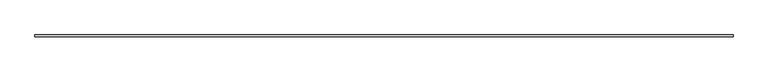
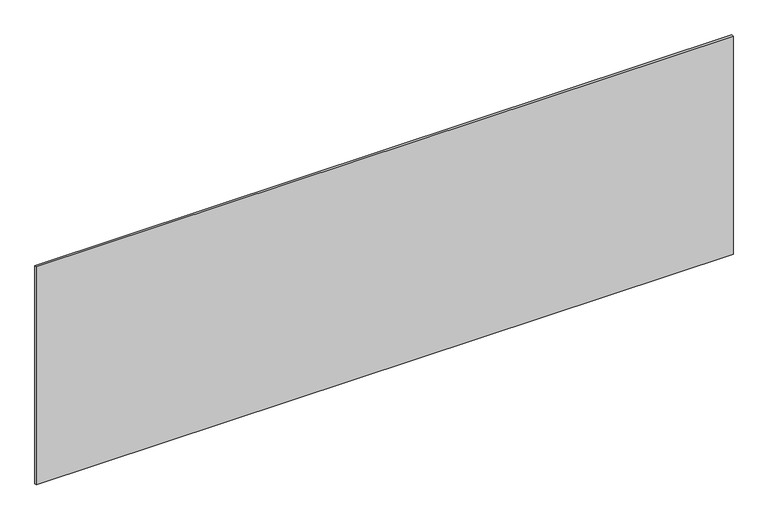
"""IFC4 building model written with IfcOpenShell, lengths in millimetres: plate geometry."""

import ifcopenshell
import ifcopenshell.guid

model = None  # the IFC model being written
_history = None  # IfcOwnerHistory: only IFC2X3 demands one
_inside = {}  # id of a spatial element -> (the spatial element, [elements in it])
_under = {}  # id of a project, library or spatial element -> (it, [spatial elements below it])
_declared = {}  # id of a project -> (the project, [libraries it declares])
_typed = {}  # id of a type object -> (the type object, [elements of that type])
_made_of = {}  # id of a material, layer set ... -> (it, [elements and type objects made of it])


def new_model(schema):
    """Start an empty IFC model of exactly this schema.

    Asked for "IFC4X3", IfcOpenShell would pick the latest addendum, in which some entities
    have other attributes; the version numbers below select the first issue.
    IFC2X3 requires an IfcOwnerHistory on every rooted entity: one is made here for all.
    """
    global model, _history
    if schema == "IFC4X3":
        model = ifcopenshell.file(schema_version=(4, 3, 0, 0))
    else:
        model = ifcopenshell.file(schema=schema)
    _inside.clear()
    _under.clear()
    _declared.clear()
    _typed.clear()
    _made_of.clear()
    _history = None
    if model.schema == "IFC2X3":
        org = make("IfcOrganization", Name="unknown")
        user = make(
            "IfcPersonAndOrganization",
            ThePerson=make("IfcPerson", FamilyName="unknown"),
            TheOrganization=org,
        )
        app = make(
            "IfcApplication",
            ApplicationDeveloper=org,
            Version="unknown",
            ApplicationFullName="unknown",
            ApplicationIdentifier="unknown",
        )
        _history = make(
            "IfcOwnerHistory",
            OwningUser=user,
            OwningApplication=app,
            ChangeAction="ADDED",
            CreationDate=0,
        )
    return model


def make(cls, **values):
    """One entity of the class cls with the attributes given. An attribute that is None is left unset."""
    return model.create_entity(
        cls, **{name: value for name, value in values.items() if value is not None}
    )


def rooted(cls, **values):
    """An entity with a GlobalId (a new one), such as an element, a storey or a relation."""
    return make(cls, GlobalId=ifcopenshell.guid.new(), OwnerHistory=_history, **values)


def si_unit(unit_type, name, prefix=None):
    """IfcSIUnit, for example si_unit("LENGTHUNIT", "METRE", prefix="MILLI")."""
    return make("IfcSIUnit", UnitType=unit_type, Prefix=prefix, Name=name)


def assignment(units):
    """IfcUnitAssignment: the units of a project."""
    return None if units is None else make("IfcUnitAssignment", Units=units)


def point(xyz):
    """IfcCartesianPoint."""
    return None if xyz is None else make("IfcCartesianPoint", Coordinates=xyz)


def direction(xyz):
    """IfcDirection."""
    return None if xyz is None else make("IfcDirection", DirectionRatios=xyz)


def frame(location, z_axis=None, x_axis=None):
    """IfcAxis2Placement3D, a coordinate frame: its origin and axes. An axis left out is left unset."""
    return make(
        "IfcAxis2Placement3D",
        Location=point(location),
        Axis=direction(z_axis),
        RefDirection=direction(x_axis),
    )


def origin():
    """The frame at (0, 0, 0) with its axes left unset."""
    return frame((0.0, 0.0, 0.0))


def origin_with_axes():
    """The frame at (0, 0, 0) with the z axis (0, 0, 1) and the x axis (1, 0, 0) written out."""
    return frame((0.0, 0.0, 0.0), z_axis=(0.0, 0.0, 1.0), x_axis=(1.0, 0.0, 0.0))


def place(relative_to, where):
    """IfcLocalPlacement: puts the frame where relative to a parent placement (None: the world)."""
    return make(
        "IfcLocalPlacement", PlacementRelTo=relative_to, RelativePlacement=where
    )


def context(
    kind, dimensions, precision=None, world=None, true_north=None, identifier=None
):
    """IfcGeometricRepresentationContext, for example the 3D "Model" context."""
    return make(
        "IfcGeometricRepresentationContext",
        ContextIdentifier=identifier,
        ContextType=kind,
        CoordinateSpaceDimension=dimensions,
        Precision=precision,
        WorldCoordinateSystem=world,
        TrueNorth=true_north,
    )


def project(units=None, contexts=None):
    """IfcProject with its units and contexts."""
    return rooted(
        "IfcProject",
        Name="project",
        RepresentationContexts=contexts,
        UnitsInContext=assignment(units),
    )


def spatial(cls, under=None, at=None, **own):
    """A site, building, storey or space (cls), placed at a placement, below another one or the project."""
    s = rooted(cls, ObjectPlacement=at, **own)
    if under is not None:
        _under.setdefault(under.id(), (under, []))[1].append(s)
    return s


def polyline(points):
    """IfcPolyline through the points."""
    return make("IfcPolyline", Points=[point(p) for p in points])


def outline(outer, holes=None, kind="AREA"):
    """IfcArbitraryClosedProfileDef: a profile drawn as a closed curve; with holes, ...WithVoids."""
    if holes is None:
        return make("IfcArbitraryClosedProfileDef", ProfileType=kind, OuterCurve=outer)
    return make(
        "IfcArbitraryProfileDefWithVoids",
        ProfileType=kind,
        OuterCurve=outer,
        InnerCurves=holes,
    )


def extrude(swept, where, along, depth):
    """IfcExtrudedAreaSolid: the profile swept, set in the frame where, extruded along a direction by depth."""
    return make(
        "IfcExtrudedAreaSolid",
        SweptArea=swept,
        Position=where,
        ExtrudedDirection=direction(along),
        Depth=depth,
    )


def shape(context_of_items, identifier, shape_type, items):
    """IfcShapeRepresentation: the items that make up one representation, for example the "Body"."""
    return make(
        "IfcShapeRepresentation",
        ContextOfItems=context_of_items,
        RepresentationIdentifier=identifier,
        RepresentationType=shape_type,
        Items=items,
    )


def source(mapping_origin, context_of_items, identifier, shape_type, items):
    """IfcRepresentationMap: a shape defined once, which mapped items show again and again."""
    return make(
        "IfcRepresentationMap",
        MappingOrigin=mapping_origin,
        MappedRepresentation=shape(context_of_items, identifier, shape_type, items),
    )


def transform(
    local_origin,
    x_axis=None,
    y_axis=None,
    z_axis=None,
    scale=None,
    scale2=None,
    scale3=None,
    uniform=True,
):
    """IfcCartesianTransformationOperator3D, or its non-uniform kind. x_axis, y_axis, z_axis: its Axis1, 2, 3."""
    if uniform:
        return make(
            "IfcCartesianTransformationOperator3D",
            Axis1=direction(x_axis),
            Axis2=direction(y_axis),
            LocalOrigin=point(local_origin),
            Scale=scale,
            Axis3=direction(z_axis),
        )
    return make(
        "IfcCartesianTransformationOperator3DnonUniform",
        Axis1=direction(x_axis),
        Axis2=direction(y_axis),
        LocalOrigin=point(local_origin),
        Scale=scale,
        Axis3=direction(z_axis),
        Scale2=scale2,
        Scale3=scale3,
    )


def mapped(mapping_source, mapping_target):
    """IfcMappedItem: shows the shape of a source again, moved by a transform."""
    return make(
        "IfcMappedItem", MappingSource=mapping_source, MappingTarget=mapping_target
    )


def made_of(thing, what):
    """Note that an element or type object is made of a material, layer set ...; save() writes the relation."""
    if what is not None:
        _made_of.setdefault(what.id(), (what, []))[1].append(thing)
    return thing


def element(
    cls,
    number,
    at=None,
    inside=None,
    cuts=None,
    type_object=None,
    material=None,
    context=None,
    identifier="Body",
    shape_type=None,
    held_by="IfcProductDefinitionShape",
    body=None,
    shapes=None,
    **own,
):
    """One element of the class cls, such as IfcWall. Its Tag is "e" and its number.

    at: its placement. inside: the storey or other place that contains it. cuts: it is an
    opening in that element (IfcRelVoidsElement). A single representation is given by context,
    identifier, shape_type and body (its items); several are given by shapes. held_by: the class
    of the entity that holds the representations. save() writes the other relations.
    """
    e = rooted(cls, Tag="e%d" % number, ObjectPlacement=at, **own)
    if body is not None:
        shapes = [shape(context, identifier, shape_type, body)]
    if shapes is not None:
        e.Representation = make(held_by, Representations=shapes)
    if inside is not None:
        _inside.setdefault(inside.id(), (inside, []))[1].append(e)
    if cuts is not None:
        rooted(
            "IfcRelVoidsElement", RelatingBuildingElement=cuts, RelatedOpeningElement=e
        )
    if type_object is not None:
        _typed.setdefault(type_object.id(), (type_object, []))[1].append(e)
    return made_of(e, material)


def aggregate(whole, parts):
    """IfcRelAggregates: a whole, such as a stair, and the parts it consists of."""
    return rooted("IfcRelAggregates", RelatingObject=whole, RelatedObjects=parts)


def save(model, path):
    """Write the relations noted so far, then the file.

    IfcRelAggregates (storeys below a building ...), IfcRelContainedInSpatialStructure (elements
    in a storey), IfcRelDefinesByType, IfcRelAssociatesMaterial and IfcRelDeclares: one each for
    every whole, place, type object, material and project.
    """
    for whole, parts in _under.values():
        aggregate(whole, parts)
    for where, things in _inside.values():
        rooted(
            "IfcRelContainedInSpatialStructure",
            RelatedElements=things,
            RelatingStructure=where,
        )
    for kind, things in _typed.values():
        rooted("IfcRelDefinesByType", RelatedObjects=things, RelatingType=kind)
    for what, things in _made_of.values():
        rooted("IfcRelAssociatesMaterial", RelatedObjects=things, RelatingMaterial=what)
    for by, libraries in _declared.values():
        rooted("IfcRelDeclares", RelatingContext=by, RelatedDefinitions=libraries)
    model.write(path)


def plate_c254f2f1(model_context):
    return source(origin(), model_context, "Body", "SweptSolid", [
        extrude(outline(polyline([(1715.0, -5.0), (-1715.0, -5.0), (-1715.0, 5.0), (1715.0, 5.0), (1715.0, -5.0)])), origin_with_axes(), (0.0, 0.0, 1.0), 1134.4393141),
    ])


if __name__ == "__main__":
    model = new_model("IFC4")
    model_context = context("Model", 3, world=origin())
    ifc_project = project(units=[si_unit("LENGTHUNIT", "METRE", prefix="MILLI")], contexts=[model_context])
    site = spatial("IfcSite", under=ifc_project)
    building = spatial("IfcBuilding", under=site)
    placement = place(None, origin())
    plate_shape = plate_c254f2f1(model_context)
    element("IfcPlate", 1, at=placement, inside=building, context=model_context, shape_type="MappedRepresentation", body=[
        mapped(plate_shape, transform((0.0, 0.0, 0.0), x_axis=(1.0, 0.0, 0.0), y_axis=(0.0, 1.0, 0.0), z_axis=(0.0, 0.0, 1.0))),
    ])
    save(model, "model.ifc")
